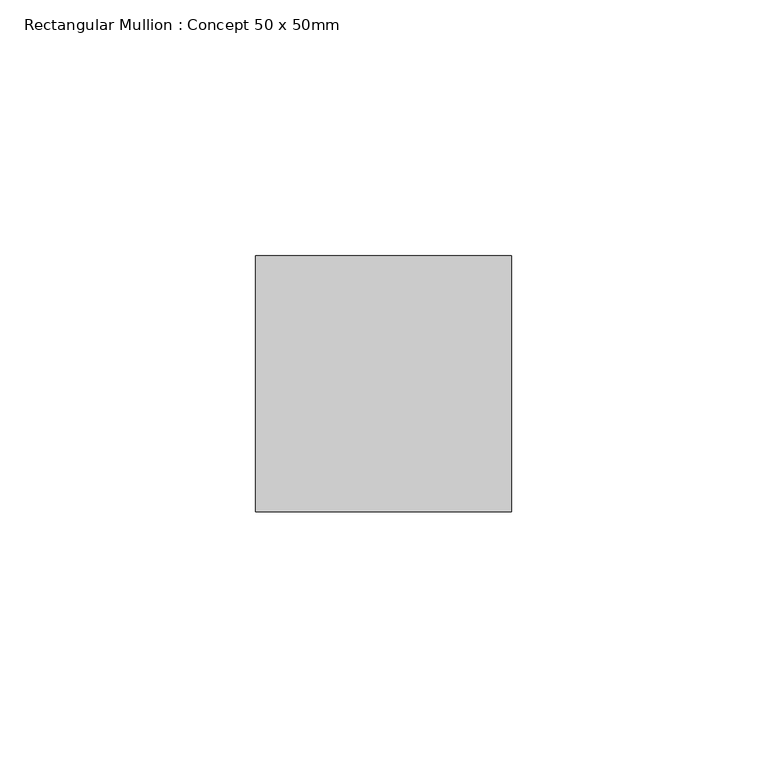
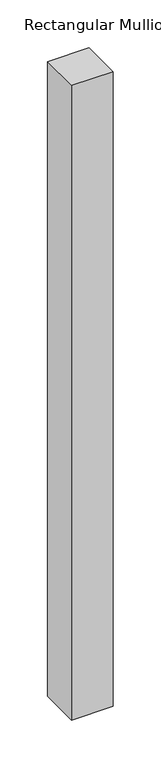
"""IFC4 building model written with IfcOpenShell, lengths in millimetres: member geometry, Rectangular Mullion : Concept 50 x 50mm."""

from ifc_helpers import new_model, si_unit, frame, origin, place, context, project, spatial, polyline, outline, extrude, source, transform, mapped, element, save


def rectangular_mullion_concept_50_x_50mm_48347e16(model_context):
    return source(origin(), model_context, "Body", "SweptSolid", [
        extrude(outline(polyline([(0.0, 50.0), (0.0, 0.0), (-50.0, 0.0), (-50.0, 50.0), (0.0, 50.0)])), frame((0.0, 0.0, -810.0), z_axis=(0.0, 0.0, 1.0), x_axis=(1.0, 0.0, 0.0)), (0.0, 0.0, 1.0), 810.0),
    ])


if __name__ == "__main__":
    model = new_model("IFC4")
    model_context = context("Model", 3, world=origin())
    ifc_project = project(units=[si_unit("LENGTHUNIT", "METRE", prefix="MILLI")], contexts=[model_context])
    site = spatial("IfcSite", under=ifc_project)
    building = spatial("IfcBuilding", under=site)
    placement = place(None, origin())
    rectangular_mullion_concept_50_x_50mm_shape = rectangular_mullion_concept_50_x_50mm_48347e16(model_context)
    element("IfcMember", 1, ObjectType="Rectangular Mullion : Concept 50 x 50mm", at=placement, inside=building, context=model_context, shape_type="MappedRepresentation", body=[
        mapped(rectangular_mullion_concept_50_x_50mm_shape, transform((0.0, 0.0, 0.0), x_axis=(1.0, 0.0, 0.0), y_axis=(0.0, 1.0, 0.0), z_axis=(0.0, 0.0, 1.0))),
    ])
    save(model, "model.ifc")
